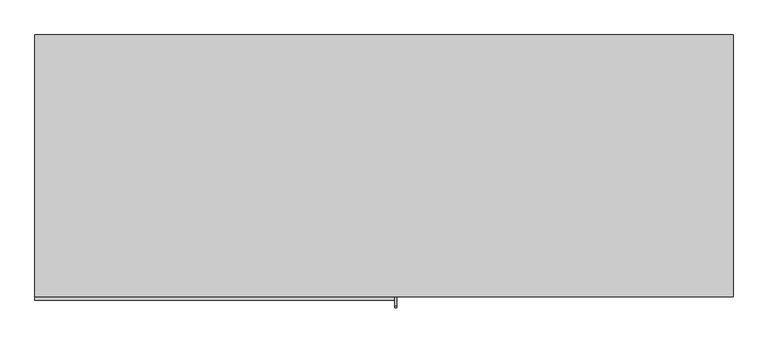
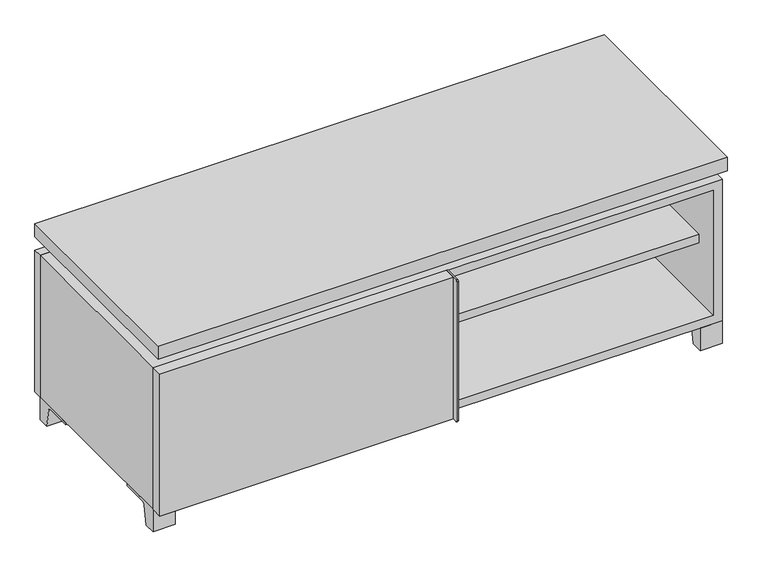
"""IFC4 building model written with IfcOpenShell, lengths in millimetres: furniture geometry."""

from ifc_helpers import new_model, si_unit, point, frame, frame_2d, origin, place, context, project, spatial, polyline, circle_curve, trimmed, segment, composite_curve, outline, extrude, faceted_brep, source, transform, mapped, element, save


def furniture_159397d8(model_context):
    return source(origin(), model_context, "Body", "SolidModel", [
        extrude(outline(polyline([(9.5319453, 241.3), (590.5569453, 241.3), (590.5569453, -92.075), (9.5319453, -92.075), (9.5319453, 241.3)])), frame((0.0, 0.0, 201.6125), z_axis=(0.0, 0.0, 1.0), x_axis=(1.0, 0.0, 0.0)), (0.0, 0.0, 1.0), 19.05),
        extrude(outline(polyline([(-9.5041641, 241.3), (-9.5041641, -92.075), (-590.5291641, -92.075), (-590.5291641, 241.3), (-9.5041641, 241.3)])), frame((0.0, 0.0, 201.6125), z_axis=(0.0, 0.0, 1.0), x_axis=(1.0, 0.0, 0.0)), (0.0, 0.0, 1.0), 19.05),
        extrude(outline(polyline([(609.6138906, 292.1), (609.6138906, -165.1), (-609.5861094, -165.1), (-609.5861094, 292.1), (609.6138906, 292.1)])), frame((0.0, 0.0, 401.6375), z_axis=(0.0, 0.0, 1.0), x_axis=(1.0, 0.0, 0.0)), (0.0, 0.0, 1.0), 30.1625),
        extrude(outline(composite_curve([segment(polyline([(-146.05, 371.475), (-146.05, 50.8), (-180.975, 50.8)]), True, "CONTINUOUS"), segment(trimmed(circle_curve(frame_2d((-180.975, 53.975)), 3.175), [point((-180.975, 50.8))], [point((-184.15, 53.975))], False, "CARTESIAN"), True, "CONTINUOUS"), segment(polyline([(-184.15, 53.975), (-184.15, 368.3)]), True, "CONTINUOUS"), segment(trimmed(circle_curve(frame_2d((-180.975, 368.3)), 3.175), [point((-184.15, 368.3))], [point((-180.975, 371.475))], False, "CARTESIAN"), True, "CONTINUOUS"), segment(polyline([(-180.975, 371.475), (-146.05, 371.475)]), True, "CONTINUOUS")], self_intersect=False)), frame((19.0638906, 0.0, 0.0), z_axis=(1.0, 0.0, 0.0), x_axis=(0.0, 1.0, 0.0)), (0.0, 0.0, 1.0), 3.175),
        extrude(outline(polyline([(-609.5861094, -146.05), (19.0638906, -146.05), (19.0638906, -171.45), (-609.5861094, -171.45), (-609.5861094, -146.05)])), frame((0.0, 0.0, 50.8), z_axis=(0.0, 0.0, 1.0), x_axis=(1.0, 0.0, 0.0)), (0.0, 0.0, 1.0), 320.675),
        extrude(outline(composite_curve([segment(polyline([(-120.6500136, 0.0), (-146.05, 0.0), (-146.05, 50.8), (-50.8, 50.8), (-50.8, 46.0213321), (-107.6005345, 46.0213321)]), True, "CONTINUOUS"), segment(trimmed(circle_curve(frame_2d((-107.6005345, 39.6713321)), 6.35), [point((-107.6005345, 46.0213321))], [point((-113.8641359, 40.7152656))], True, "CARTESIAN"), True, "CONTINUOUS"), segment(polyline([(-113.8641359, 40.7152656), (-120.6500136, 0.0)]), True, "CONTINUOUS")], self_intersect=False)), frame((561.9888906, 0.0, 0.0), z_axis=(1.0, 0.0, 0.0), x_axis=(0.0, 1.0, 0.0)), (0.0, 0.0, 1.0), 47.625),
        extrude(outline(composite_curve([segment(polyline([(247.6500136, 0.0), (240.8641359, 40.7152656)]), True, "CONTINUOUS"), segment(trimmed(circle_curve(frame_2d((234.6005345, 39.6713321)), 6.35), [point((240.8641359, 40.7152656))], [point((234.6005345, 46.0213321))], True, "CARTESIAN"), True, "CONTINUOUS"), segment(polyline([(234.6005345, 46.0213321), (177.8, 46.0213321), (177.8, 50.8), (273.05, 50.8), (273.05, 0.0), (247.6500136, 0.0)]), True, "CONTINUOUS")], self_intersect=False)), frame((561.9888906, 0.0, 0.0), z_axis=(1.0, 0.0, 0.0), x_axis=(0.0, 1.0, 0.0)), (0.0, 0.0, 1.0), 47.625),
        extrude(outline(composite_curve([segment(polyline([(-120.6500136, 0.0), (-146.05, 0.0), (-146.05, 50.8), (-50.8, 50.8), (-50.8, 46.0213321), (-107.6005345, 46.0213321)]), True, "CONTINUOUS"), segment(trimmed(circle_curve(frame_2d((-107.6005345, 39.6713321)), 6.35), [point((-107.6005345, 46.0213321))], [point((-113.8641359, 40.7152656))], True, "CARTESIAN"), True, "CONTINUOUS"), segment(polyline([(-113.8641359, 40.7152656), (-120.6500136, 0.0)]), True, "CONTINUOUS")], self_intersect=False)), frame((-609.5861094, 0.0, 0.0), z_axis=(1.0, 0.0, 0.0), x_axis=(0.0, 1.0, 0.0)), (0.0, 0.0, 1.0), 47.625),
        extrude(outline(composite_curve([segment(polyline([(247.6500136, 0.0), (240.8641359, 40.7152656)]), True, "CONTINUOUS"), segment(trimmed(circle_curve(frame_2d((234.6005345, 39.6713321)), 6.35), [point((240.8641359, 40.7152656))], [point((234.6005345, 46.0213321))], True, "CARTESIAN"), True, "CONTINUOUS"), segment(polyline([(234.6005345, 46.0213321), (177.8, 46.0213321), (177.8, 50.8), (273.05, 50.8), (273.05, 0.0), (247.6500136, 0.0)]), True, "CONTINUOUS")], self_intersect=False)), frame((-609.5861094, 0.0, 0.0), z_axis=(1.0, 0.0, 0.0), x_axis=(0.0, 1.0, 0.0)), (0.0, 0.0, 1.0), 47.625),
        faceted_brep([(7.9513906, -120.65, 401.6375), (7.9513906, -120.65, 371.475), (7.9513906, 53.975, 371.475), (7.9513906, 53.975, 401.6375), (7.9513906, 247.65, 371.475), (7.9513906, 247.65, 401.6375), (7.9513906, 73.025, 401.6375), (7.9513906, 73.025, 371.475), (-7.9236094, 247.65, 401.6375), (-7.9236094, 247.65, 371.475), (-7.9236094, 73.025, 371.475), (-7.9236094, 73.025, 401.6375), (-7.9236094, -120.65, 371.475), (-7.9236094, -120.65, 401.6375), (-7.9236094, 53.975, 401.6375), (-7.9236094, 53.975, 371.475), (-568.2833281, 73.025, 401.6375), (-568.3041641, 247.65, 401.6375), (-584.1791641, 247.65, 401.6375), (-584.1791641, -120.65, 401.6375), (-568.3041641, -120.65, 401.6375), (-568.3041641, 53.975, 401.6375), (568.3111094, 53.975, 401.6375), (568.3111094, -120.65, 401.6375), (584.1861094, -120.65, 401.6375), (584.1861094, 247.65, 401.6375), (568.3111094, 247.65, 401.6375), (568.3111094, 73.025, 401.6375), (-568.2833281, 53.975, 371.475), (-568.3041641, -120.65, 371.475), (-584.1791641, -120.65, 371.475), (-584.1791641, 247.65, 371.475), (-568.3041641, 247.65, 371.475), (-568.3041641, 73.025, 371.475), (568.3111094, 73.025, 371.475), (568.3111094, 247.65, 371.475), (584.1861094, 247.65, 371.475), (584.1861094, -120.65, 371.475), (568.3111094, -120.65, 371.475), (568.3111094, 53.975, 371.475)], [[[0, 1, 2, 3]], [[4, 5, 6, 7]], [[8, 9, 10, 11]], [[12, 13, 14, 15]], [[5, 8, 11, 16, 17, 18, 19, 20, 21, 14, 13, 0, 3, 22, 23, 24, 25, 26, 27, 6]], [[1, 12, 15, 28, 29, 30, 31, 32, 33, 10, 9, 4, 7, 34, 35, 36, 37, 38, 39, 2]], [[5, 4, 9, 8]], [[1, 0, 13, 12]], [[6, 27, 34, 7]], [[22, 3, 2, 39]], [[20, 29, 28, 21]], [[32, 17, 16, 33]], [[18, 31, 30, 19]], [[29, 20, 19, 30]], [[17, 32, 31, 18]], [[26, 35, 34, 27]], [[38, 23, 22, 39]], [[25, 24, 37, 36]], [[23, 38, 37, 24]], [[35, 26, 25, 36]], [[16, 11, 10, 33]], [[14, 21, 28, 15]]]),
        extrude(outline(polyline([(9.5388906, 241.3), (9.5388906, -95.25), (-9.5111094, -95.25), (-9.5111094, 241.3), (9.5388906, 241.3)])), frame((0.0, 0.0, 69.85), z_axis=(0.0, 0.0, 1.0), x_axis=(1.0, 0.0, 0.0)), (0.0, 0.0, 1.0), 282.575),
        extrude(outline(polyline([(15.8888906, -88.9), (15.8888906, -146.05), (-9.5111094, -146.05), (-9.5111094, -120.65), (3.1888906, -120.65), (3.1888906, -88.9), (15.8888906, -88.9)])), frame((0.0, 0.0, 69.85), z_axis=(0.0, 0.0, 1.0), x_axis=(1.0, 0.0, 0.0)), (0.0, 0.0, 1.0), 282.575),
        extrude(outline(polyline([(609.6138906, 273.05), (-609.5861094, 273.05), (-609.5861094, 292.1), (609.6138906, 292.1), (609.6138906, 273.05)])), frame((0.0, 0.0, 50.8), z_axis=(0.0, 0.0, 1.0), x_axis=(1.0, 0.0, 0.0)), (0.0, 0.0, 1.0), 320.675),
        extrude(outline(polyline([(50.8, -609.5861094), (50.8, 609.6), (371.475, 609.6), (371.475, -609.5861094), (50.8, -609.5861094)]), holes=[polyline([(69.85, -590.5361094), (352.425, -590.5361094), (352.425, 590.5361094), (69.85, 590.5361094), (69.85, -590.5361094)])]), frame((0.0, -146.05, 0.0), z_axis=(0.0, 1.0, 0.0), x_axis=(0.0, 0.0, 1.0)), (0.0, 0.0, 1.0), 419.1),
        extrude(outline(polyline([(-590.5291641, 241.3), (-590.5291641, 247.65), (590.5569453, 247.65), (590.5569453, 241.3), (-590.5291641, 241.3)])), frame((0.0, 0.0, 69.85), z_axis=(0.0, 0.0, 1.0), x_axis=(1.0, 0.0, 0.0)), (0.0, 0.0, 1.0), 282.575),
    ])


if __name__ == "__main__":
    model = new_model("IFC4")
    model_context = context("Model", 3, world=origin())
    ifc_project = project(units=[si_unit("LENGTHUNIT", "METRE", prefix="MILLI")], contexts=[model_context])
    site = spatial("IfcSite", under=ifc_project)
    building = spatial("IfcBuilding", under=site)
    placement = place(None, origin())
    furniture_shape = furniture_159397d8(model_context)
    element("IfcFurniture", 1, at=placement, inside=building, context=model_context, shape_type="MappedRepresentation", body=[
        mapped(furniture_shape, transform((0.0, 0.0, 0.0), x_axis=(1.0, 0.0, 0.0), y_axis=(0.0, 1.0, 0.0), z_axis=(0.0, 0.0, 1.0))),
    ])
    save(model, "model.ifc")
